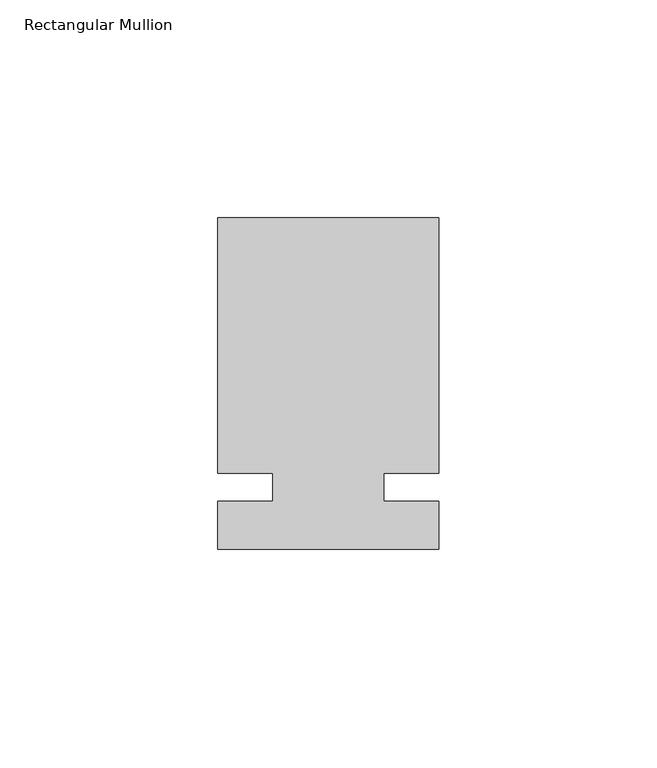
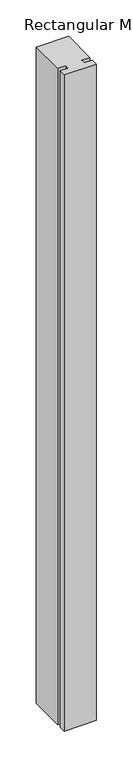
"""IFC4 building model written with IfcOpenShell, lengths in millimetres: member geometry, Rectangular Mullion."""

from ifc_helpers import new_model, si_unit, frame, origin, place, context, project, spatial, polyline, outline, extrude, source, transform, mapped, element, save


def rectangular_mullion_ef2f8128(model_context):
    return source(origin(), model_context, "Body", "SweptSolid", [
        extrude(outline(polyline([(29.7344027, 61.9125), (29.7344027, 3.175), (17.0326322, 3.175), (17.0326322, -3.175), (29.7344027, -3.175), (29.7344027, -14.2875), (-21.0655973, -14.2875), (-21.0655973, -3.175), (-8.3655973, -3.175), (-8.3655973, 3.175), (-21.0655973, 3.175), (-21.0655973, 61.9125), (29.7344027, 61.9125)])), frame((0.0, 0.0, -1099.7094027), z_axis=(0.0, 0.0, 1.0), x_axis=(1.0, 0.0, 0.0)), (0.0, 0.0, 1.0), 1099.7094027),
    ])


if __name__ == "__main__":
    model = new_model("IFC4")
    model_context = context("Model", 3, world=origin())
    ifc_project = project(units=[si_unit("LENGTHUNIT", "METRE", prefix="MILLI")], contexts=[model_context])
    site = spatial("IfcSite", under=ifc_project)
    building = spatial("IfcBuilding", under=site)
    placement = place(None, origin())
    rectangular_mullion_shape = rectangular_mullion_ef2f8128(model_context)
    element("IfcMember", 1, ObjectType="Rectangular Mullion", at=placement, inside=building, context=model_context, shape_type="MappedRepresentation", body=[
        mapped(rectangular_mullion_shape, transform((0.0, 0.0, 0.0), x_axis=(1.0, 0.0, 0.0), y_axis=(0.0, 1.0, 0.0), z_axis=(0.0, 0.0, 1.0))),
    ])
    save(model, "model.ifc")
